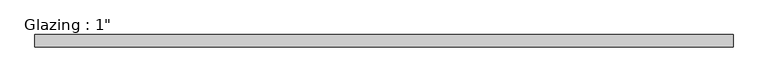
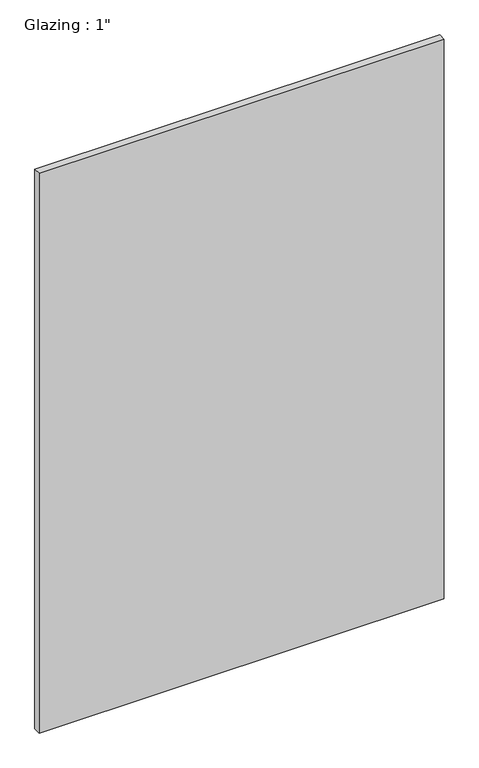
"""IFC4 building model written with IfcOpenShell, lengths in millimetres: plate geometry."""

import ifcopenshell
import ifcopenshell.guid

model = None  # the IFC model being written
_history = None  # IfcOwnerHistory: only IFC2X3 demands one
_inside = {}  # id of a spatial element -> (the spatial element, [elements in it])
_under = {}  # id of a project, library or spatial element -> (it, [spatial elements below it])
_declared = {}  # id of a project -> (the project, [libraries it declares])
_typed = {}  # id of a type object -> (the type object, [elements of that type])
_made_of = {}  # id of a material, layer set ... -> (it, [elements and type objects made of it])


def new_model(schema):
    """Start an empty IFC model of exactly this schema.

    Asked for "IFC4X3", IfcOpenShell would pick the latest addendum, in which some entities
    have other attributes; the version numbers below select the first issue.
    IFC2X3 requires an IfcOwnerHistory on every rooted entity: one is made here for all.
    """
    global model, _history
    if schema == "IFC4X3":
        model = ifcopenshell.file(schema_version=(4, 3, 0, 0))
    else:
        model = ifcopenshell.file(schema=schema)
    _inside.clear()
    _under.clear()
    _declared.clear()
    _typed.clear()
    _made_of.clear()
    _history = None
    if model.schema == "IFC2X3":
        org = make("IfcOrganization", Name="unknown")
        user = make(
            "IfcPersonAndOrganization",
            ThePerson=make("IfcPerson", FamilyName="unknown"),
            TheOrganization=org,
        )
        app = make(
            "IfcApplication",
            ApplicationDeveloper=org,
            Version="unknown",
            ApplicationFullName="unknown",
            ApplicationIdentifier="unknown",
        )
        _history = make(
            "IfcOwnerHistory",
            OwningUser=user,
            OwningApplication=app,
            ChangeAction="ADDED",
            CreationDate=0,
        )
    return model


def make(cls, **values):
    """One entity of the class cls with the attributes given. An attribute that is None is left unset."""
    return model.create_entity(
        cls, **{name: value for name, value in values.items() if value is not None}
    )


def rooted(cls, **values):
    """An entity with a GlobalId (a new one), such as an element, a storey or a relation."""
    return make(cls, GlobalId=ifcopenshell.guid.new(), OwnerHistory=_history, **values)


def si_unit(unit_type, name, prefix=None):
    """IfcSIUnit, for example si_unit("LENGTHUNIT", "METRE", prefix="MILLI")."""
    return make("IfcSIUnit", UnitType=unit_type, Prefix=prefix, Name=name)


def assignment(units):
    """IfcUnitAssignment: the units of a project."""
    return None if units is None else make("IfcUnitAssignment", Units=units)


def point(xyz):
    """IfcCartesianPoint."""
    return None if xyz is None else make("IfcCartesianPoint", Coordinates=xyz)


def direction(xyz):
    """IfcDirection."""
    return None if xyz is None else make("IfcDirection", DirectionRatios=xyz)


def frame(location, z_axis=None, x_axis=None):
    """IfcAxis2Placement3D, a coordinate frame: its origin and axes. An axis left out is left unset."""
    return make(
        "IfcAxis2Placement3D",
        Location=point(location),
        Axis=direction(z_axis),
        RefDirection=direction(x_axis),
    )


def origin():
    """The frame at (0, 0, 0) with its axes left unset."""
    return frame((0.0, 0.0, 0.0))


def origin_with_axes():
    """The frame at (0, 0, 0) with the z axis (0, 0, 1) and the x axis (1, 0, 0) written out."""
    return frame((0.0, 0.0, 0.0), z_axis=(0.0, 0.0, 1.0), x_axis=(1.0, 0.0, 0.0))


def place(relative_to, where):
    """IfcLocalPlacement: puts the frame where relative to a parent placement (None: the world)."""
    return make(
        "IfcLocalPlacement", PlacementRelTo=relative_to, RelativePlacement=where
    )


def context(
    kind, dimensions, precision=None, world=None, true_north=None, identifier=None
):
    """IfcGeometricRepresentationContext, for example the 3D "Model" context."""
    return make(
        "IfcGeometricRepresentationContext",
        ContextIdentifier=identifier,
        ContextType=kind,
        CoordinateSpaceDimension=dimensions,
        Precision=precision,
        WorldCoordinateSystem=world,
        TrueNorth=true_north,
    )


def project(units=None, contexts=None):
    """IfcProject with its units and contexts."""
    return rooted(
        "IfcProject",
        Name="project",
        RepresentationContexts=contexts,
        UnitsInContext=assignment(units),
    )


def spatial(cls, under=None, at=None, **own):
    """A site, building, storey or space (cls), placed at a placement, below another one or the project."""
    s = rooted(cls, ObjectPlacement=at, **own)
    if under is not None:
        _under.setdefault(under.id(), (under, []))[1].append(s)
    return s


def polyline(points):
    """IfcPolyline through the points."""
    return make("IfcPolyline", Points=[point(p) for p in points])


def outline(outer, holes=None, kind="AREA"):
    """IfcArbitraryClosedProfileDef: a profile drawn as a closed curve; with holes, ...WithVoids."""
    if holes is None:
        return make("IfcArbitraryClosedProfileDef", ProfileType=kind, OuterCurve=outer)
    return make(
        "IfcArbitraryProfileDefWithVoids",
        ProfileType=kind,
        OuterCurve=outer,
        InnerCurves=holes,
    )


def extrude(swept, where, along, depth):
    """IfcExtrudedAreaSolid: the profile swept, set in the frame where, extruded along a direction by depth."""
    return make(
        "IfcExtrudedAreaSolid",
        SweptArea=swept,
        Position=where,
        ExtrudedDirection=direction(along),
        Depth=depth,
    )


def shape(context_of_items, identifier, shape_type, items):
    """IfcShapeRepresentation: the items that make up one representation, for example the "Body"."""
    return make(
        "IfcShapeRepresentation",
        ContextOfItems=context_of_items,
        RepresentationIdentifier=identifier,
        RepresentationType=shape_type,
        Items=items,
    )


def source(mapping_origin, context_of_items, identifier, shape_type, items):
    """IfcRepresentationMap: a shape defined once, which mapped items show again and again."""
    return make(
        "IfcRepresentationMap",
        MappingOrigin=mapping_origin,
        MappedRepresentation=shape(context_of_items, identifier, shape_type, items),
    )


def transform(
    local_origin,
    x_axis=None,
    y_axis=None,
    z_axis=None,
    scale=None,
    scale2=None,
    scale3=None,
    uniform=True,
):
    """IfcCartesianTransformationOperator3D, or its non-uniform kind. x_axis, y_axis, z_axis: its Axis1, 2, 3."""
    if uniform:
        return make(
            "IfcCartesianTransformationOperator3D",
            Axis1=direction(x_axis),
            Axis2=direction(y_axis),
            LocalOrigin=point(local_origin),
            Scale=scale,
            Axis3=direction(z_axis),
        )
    return make(
        "IfcCartesianTransformationOperator3DnonUniform",
        Axis1=direction(x_axis),
        Axis2=direction(y_axis),
        LocalOrigin=point(local_origin),
        Scale=scale,
        Axis3=direction(z_axis),
        Scale2=scale2,
        Scale3=scale3,
    )


def mapped(mapping_source, mapping_target):
    """IfcMappedItem: shows the shape of a source again, moved by a transform."""
    return make(
        "IfcMappedItem", MappingSource=mapping_source, MappingTarget=mapping_target
    )


def made_of(thing, what):
    """Note that an element or type object is made of a material, layer set ...; save() writes the relation."""
    if what is not None:
        _made_of.setdefault(what.id(), (what, []))[1].append(thing)
    return thing


def element(
    cls,
    number,
    at=None,
    inside=None,
    cuts=None,
    type_object=None,
    material=None,
    context=None,
    identifier="Body",
    shape_type=None,
    held_by="IfcProductDefinitionShape",
    body=None,
    shapes=None,
    **own,
):
    """One element of the class cls, such as IfcWall. Its Tag is "e" and its number.

    at: its placement. inside: the storey or other place that contains it. cuts: it is an
    opening in that element (IfcRelVoidsElement). A single representation is given by context,
    identifier, shape_type and body (its items); several are given by shapes. held_by: the class
    of the entity that holds the representations. save() writes the other relations.
    """
    e = rooted(cls, Tag="e%d" % number, ObjectPlacement=at, **own)
    if body is not None:
        shapes = [shape(context, identifier, shape_type, body)]
    if shapes is not None:
        e.Representation = make(held_by, Representations=shapes)
    if inside is not None:
        _inside.setdefault(inside.id(), (inside, []))[1].append(e)
    if cuts is not None:
        rooted(
            "IfcRelVoidsElement", RelatingBuildingElement=cuts, RelatedOpeningElement=e
        )
    if type_object is not None:
        _typed.setdefault(type_object.id(), (type_object, []))[1].append(e)
    return made_of(e, material)


def aggregate(whole, parts):
    """IfcRelAggregates: a whole, such as a stair, and the parts it consists of."""
    return rooted("IfcRelAggregates", RelatingObject=whole, RelatedObjects=parts)


def save(model, path):
    """Write the relations noted so far, then the file.

    IfcRelAggregates (storeys below a building ...), IfcRelContainedInSpatialStructure (elements
    in a storey), IfcRelDefinesByType, IfcRelAssociatesMaterial and IfcRelDeclares: one each for
    every whole, place, type object, material and project.
    """
    for whole, parts in _under.values():
        aggregate(whole, parts)
    for where, things in _inside.values():
        rooted(
            "IfcRelContainedInSpatialStructure",
            RelatedElements=things,
            RelatingStructure=where,
        )
    for kind, things in _typed.values():
        rooted("IfcRelDefinesByType", RelatedObjects=things, RelatingType=kind)
    for what, things in _made_of.values():
        rooted("IfcRelAssociatesMaterial", RelatedObjects=things, RelatingMaterial=what)
    for by, libraries in _declared.values():
        rooted("IfcRelDeclares", RelatingContext=by, RelatedDefinitions=libraries)
    model.write(path)


def plate_a2b99f47(model_context):
    return source(origin(), model_context, "Body", "SweptSolid", [
        extrude(outline(polyline([(717.0516736, -12.7), (-717.0516736, -12.7), (-717.0516736, 12.7), (717.0516736, 12.7), (717.0516736, -12.7)])), origin_with_axes(), (0.0, 0.0, 1.0), 2094.5430277),
    ])


if __name__ == "__main__":
    model = new_model("IFC4")
    model_context = context("Model", 3, world=origin())
    ifc_project = project(units=[si_unit("LENGTHUNIT", "METRE", prefix="MILLI")], contexts=[model_context])
    site = spatial("IfcSite", under=ifc_project)
    building = spatial("IfcBuilding", under=site)
    placement = place(None, origin())
    plate_shape = plate_a2b99f47(model_context)
    element("IfcPlate", 1, ObjectType="Glazing : 1\"", at=placement, inside=building, context=model_context, shape_type="MappedRepresentation", body=[
        mapped(plate_shape, transform((0.0, 0.0, 0.0), x_axis=(1.0, 0.0, 0.0), y_axis=(0.0, 1.0, 0.0), z_axis=(0.0, 0.0, 1.0))),
    ])
    save(model, "model.ifc")
